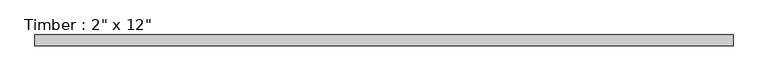
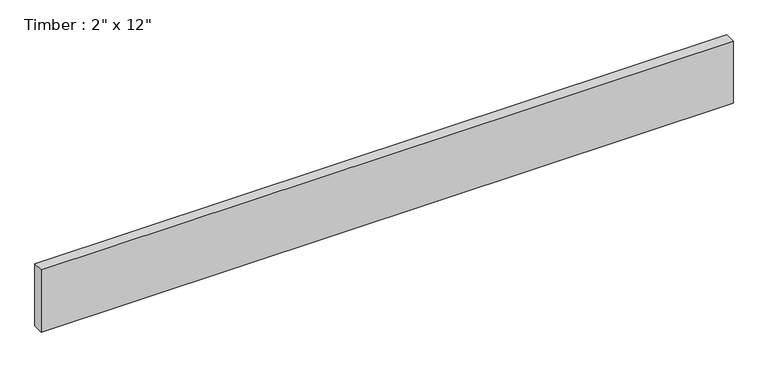
"""IFC4 building model written with IfcOpenShell, lengths in millimetres: beam geometry."""

from ifc_helpers import new_model, si_unit, frame, origin, place, context, project, spatial, polyline, outline, extrude, source, transform, mapped, element, save


def beam_dfc0bf2d(model_context):
    return source(origin(), model_context, "Body", "SweptSolid", [
        extrude(outline(polyline([(1601.6376208, 25.4), (1601.6376208, -25.4), (-1601.6376208, -25.4), (-1601.6376208, 25.4), (1601.6376208, 25.4)])), frame((0.0, 0.0, -152.4), z_axis=(0.0, 0.0, 1.0), x_axis=(1.0, 0.0, 0.0)), (0.0, 0.0, 1.0), 304.8),
    ])


if __name__ == "__main__":
    model = new_model("IFC4")
    model_context = context("Model", 3, world=origin())
    ifc_project = project(units=[si_unit("LENGTHUNIT", "METRE", prefix="MILLI")], contexts=[model_context])
    site = spatial("IfcSite", under=ifc_project)
    building = spatial("IfcBuilding", under=site)
    placement = place(None, origin())
    beam_shape = beam_dfc0bf2d(model_context)
    element("IfcBeam", 1, ObjectType="Timber : 2\" x 12\"", at=placement, inside=building, context=model_context, shape_type="MappedRepresentation", body=[
        mapped(beam_shape, transform((0.0, 0.0, 0.0), x_axis=(1.0, 0.0, 0.0), y_axis=(0.0, 1.0, 0.0), z_axis=(0.0, 0.0, 1.0))),
    ])
    save(model, "model.ifc")
